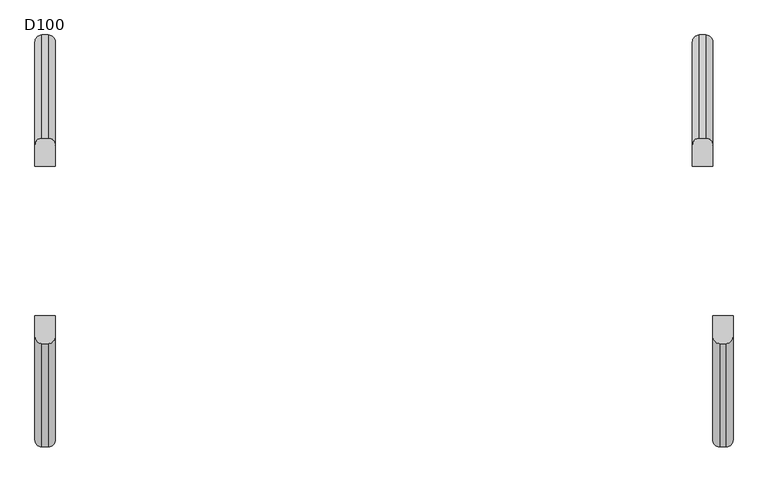
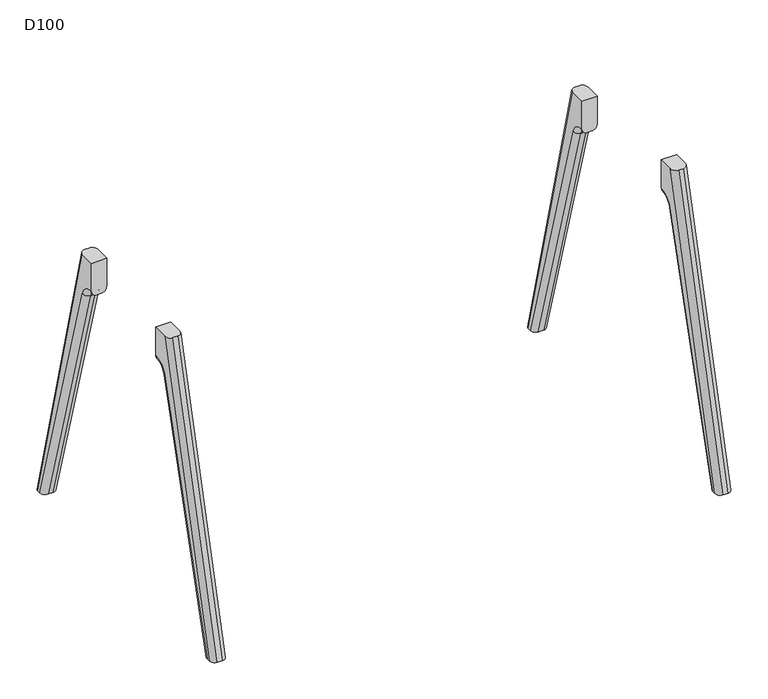
"""IFC4 building model written with IfcOpenShell, lengths in millimetres: furniture geometry, D100."""

from ifc_helpers import new_model, si_unit, point, frame, origin, place, context, project, spatial, polyline, circle_curve, ellipse_curve, trimmed, source, transform, mapped, element, save
from ifc_brep_helpers import plane_surface, cylinder_surface, revolved_surface, advanced_brep


def d100_95633b69(model_context):
    return source(origin(), model_context, "Body", "AdvancedBrep", [
        advanced_brep(
        [(0.0, -211.7278851, 880.0006338), (0.0, -439.8031746, 0.0), (15.0, -455.2987797, 0.0), (15.0, -227.2234902, 880.0006338), (45.0, -439.8031746, 0.0), (45.0, -211.7278851, 880.0006338), (30.0, -227.2234902, 880.0006338), (30.0, -455.2987797, 0.0), (45.0, -165.2234902, 880.0006338), (45.0, -429.58813, 0.0), (45.0, -211.1253977, 757.7437132), (45.0, -166.9256926, 791.0006338), (45.0, -165.2234902, 791.0006338), (0.0, -165.2234902, 880.0006338), (0.0, -165.2234902, 791.0006338), (0.0, -166.9256926, 791.0006338), (0.0, -211.1253977, 757.7437132), (0.0, -429.58813, 0.0), (30.0, -413.9771661, 0.0), (15.0, -413.9771661, 0.0), (15.0, -196.7124504, 753.5883612), (30.0, -196.7124504, 753.5883612), (30.0, -165.2234902, 776.0006338), (15.0, -165.2234902, 776.0006338), (30.0, -166.9256926, 776.0006338), (15.0, -166.9256926, 776.0006338)],
        [
            (0, 1),
            (1, 2, ellipse_curve(frame((15.0, -439.8031746, 0.0), z_axis=(0.0, 0.0, 1.0), x_axis=(0.0, 1.0, 0.0)), 15.4956051, 15.0)),
            (2, 3),
            (3, 0, ellipse_curve(frame((15.0, -211.7278851, 880.0006338), z_axis=(0.0, 0.0, -1.0), x_axis=(0.0, 1.0, 0.0)), 15.4956051, 15.0)),
            (4, 5),
            (5, 6, ellipse_curve(frame((30.0, -211.7278851, 880.0006338), z_axis=(0.0, 0.0, -1.0), x_axis=(0.0, 1.0, 0.0)), 15.4956051, 15.0)),
            (6, 7),
            (7, 4, ellipse_curve(frame((30.0, -439.8031746, 0.0), z_axis=(0.0, 0.0, 1.0), x_axis=(0.0, 1.0, 0.0)), 15.4956051, 15.0)),
            (8, 5),
            (4, 9),
            (9, 10),
            (10, 11, circle_curve(frame((45.0, -166.9256926, 745.0006338), z_axis=(-1.0, 0.0, 0.0), x_axis=(0.0, -0.9608631532166849, 0.2770234661368772)), 46.0)),
            (11, 12),
            (12, 8),
            (0, 13),
            (13, 14),
            (14, 15),
            (15, 16, circle_curve(frame((0.0, -166.9256926, 745.0006338), z_axis=(1.0, 0.0, 0.0), x_axis=(0.0, -0.9608631532166849, 0.2770234661368772)), 46.0)),
            (16, 17),
            (17, 1),
            (18, 19),
            (19, 20),
            (20, 21),
            (21, 18),
            (7, 2),
            (17, 19, ellipse_curve(frame((15.0, -429.58813, 0.0), z_axis=(0.0, 0.0, -1.0), x_axis=(0.0, 1.0, 0.0)), 15.6109639, 15.0)),
            (18, 9, ellipse_curve(frame((30.0, -429.58813, 0.0), z_axis=(0.0, 0.0, -1.0), x_axis=(0.0, 1.0, 0.0)), 15.6109639, 15.0)),
            (6, 3),
            (8, 13),
            (12, 22, circle_curve(frame((30.0, -165.2234902, 791.0006338), z_axis=(0.0, 1.0, 0.0), x_axis=(0.0, 0.0, 1.0)), 15.0)),
            (22, 23),
            (23, 14, circle_curve(frame((15.0, -165.2234902, 791.0006338), z_axis=(0.0, 1.0, 0.0), x_axis=(0.0, 0.0, 1.0)), 15.0)),
            (22, 24),
            (24, 25),
            (25, 23),
            (24, 21, circle_curve(frame((30.0, -166.9256926, 745.0006338), z_axis=(1.0, 0.0, 0.0), x_axis=(0.0, 1.0, 0.0)), 31.0)),
            (20, 25, circle_curve(frame((15.0, -166.9256926, 745.0006338), z_axis=(-1.0, 0.0, 0.0), x_axis=(0.0, 1.0, 0.0)), 31.0)),
            (16, 20, circle_curve(frame((15.0, -211.1253977, 757.7437132), z_axis=(0.0, -0.2770234661368847, -0.9608631532166827), x_axis=(0.0, -0.9608631532166827, 0.2770234661368847)), 15.0)),
            (21, 10, circle_curve(frame((30.0, -211.1253977, 757.7437132), z_axis=(0.0, -0.2770234661368847, -0.9608631532166827), x_axis=(0.0, -0.9608631532166827, 0.2770234661368847)), 15.0)),
            (25, 15, circle_curve(frame((15.0, -166.9256926, 791.0006338), z_axis=(0.0, 1.0, 0.0), x_axis=(0.0, 0.0, 1.0)), 15.0)),
            (11, 24, circle_curve(frame((30.0, -166.9256926, 791.0006338), z_axis=(0.0, 1.0, 0.0), x_axis=(0.0, 0.0, 1.0)), 15.0)),
        ],
        [
            cylinder_surface(frame((15.0, -457.7527706, -69.2563225), z_axis=(0.0, 0.25088689062883374, 0.9680164090089567), x_axis=(0.0, -0.9680164090089567, 0.25088689062883374)), 15.0),
            cylinder_surface(frame((30.0, -457.7527706, -69.2563225), z_axis=(0.0, 0.25088689062883374, 0.9680164090089567), x_axis=(0.0, -0.9680164090089567, 0.25088689062883374)), 15.0),
            plane_surface(frame((45.0, -135.9256926, 745.0006338), z_axis=(1.0, 0.0, 0.0), x_axis=(0.0, 0.0, -1.0))),
            plane_surface(frame((0.0, -135.9256926, 745.0006338), z_axis=(-1.0, 0.0, 0.0), x_axis=(0.0, 0.0, 1.0))),
            plane_surface(frame((45.0, -413.9771661, 0.0), z_axis=(0.0, 0.9608631532166828, -0.2770234661368848), x_axis=(-1.0, 0.0, 0.0))),
            plane_surface(frame((45.0, -455.2987797, 0.0), z_axis=(0.0, 0.0, -1.0), x_axis=(-1.0, 0.0, 0.0))),
            plane_surface(frame((45.0, -227.2234902, 880.0006338), z_axis=(0.0, -0.9680164090089575, 0.25088689062883046), x_axis=(-1.0, 0.0, 0.0))),
            plane_surface(frame((45.0, -165.2234902, 880.0006338), z_axis=(0.0, 0.0, 1.0), x_axis=(-1.0, 0.0, 0.0))),
            plane_surface(frame((45.0, -165.2234902, 776.0006338), z_axis=(0.0, 1.0, 0.0), x_axis=(-1.0, 0.0, 0.0))),
            plane_surface(frame((45.0, -166.9256926, 776.0006338), z_axis=(0.0, 0.0, -1.0), x_axis=(-1.0, 0.0, 0.0))),
            revolved_surface(polyline([(15.0, -135.9256926, 745.0006338), (30.0, -135.9256926, 745.0006338)]), (0.0, -166.9256926, 745.0006338), (-1.0, 0.0, 0.0)),
            cylinder_surface(frame((15.0, -448.1062889, -64.2307193), z_axis=(0.0, 0.2770234661368847, 0.9608631532166827), x_axis=(0.0, -0.9608631532166827, 0.2770234661368847)), 15.0),
            cylinder_surface(frame((30.0, -448.1062889, -64.2307193), z_axis=(0.0, 0.2770234661368847, 0.9608631532166827), x_axis=(0.0, -0.9608631532166827, 0.2770234661368847)), 15.0),
            cylinder_surface(frame((15.0, -166.9256926, 791.0006338), z_axis=(0.0, 1.0, 0.0), x_axis=(0.0, 0.0, 1.0)), 15.0),
            cylinder_surface(frame((30.0, -166.9256926, 791.0006338), z_axis=(0.0, 1.0, 0.0), x_axis=(0.0, 0.0, 1.0)), 15.0),
            revolved_surface(trimmed(ellipse_curve(frame((15.0, -211.1253977, 757.7437132), z_axis=(0.0, -0.27702346613687723, -0.9608631532166849), x_axis=(0.0, -0.9608631532166849, 0.27702346613687723)), 15.0, 15.0), [point((0.0, -211.1253977, 757.7437132))], [point((15.0, -196.7124504, 753.5883612))], True, "CARTESIAN"), (782.0, -166.9256926, 745.0006338), (-1.0, 0.0, 0.0)),
            revolved_surface(trimmed(ellipse_curve(frame((30.0, -211.1253977, 757.7437132), z_axis=(0.0, -0.27702346613687723, -0.9608631532166849), x_axis=(0.0, -0.9608631532166849, 0.27702346613687723)), 15.0, 15.0), [point((30.0, -196.7124504, 753.5883612))], [point((45.0, -211.1253977, 757.7437132))], True, "CARTESIAN"), (782.0, -166.9256926, 745.0006338), (-1.0, 0.0, 0.0)),
        ],
        [
            (0, [[1, 2, 3, 4]]),
            (1, [[5, 6, 7, 8]]),
            (2, [[9, -5, 10, 11, 12, 13, 14]]),
            (3, [[15, 16, 17, 18, 19, 20, -1]]),
            (4, [[21, 22, 23, 24]]),
            (5, [[25, -2, -20, 26, -21, 27, -10, -8]]),
            (6, [[-25, -7, 28, -3]]),
            (7, [[29, -15, -4, -28, -6, -9]]),
            (8, [[-29, -14, 30, 31, 32, -16]]),
            (9, [[-31, 33, 34, 35]]),
            (10, [[-34, 36, -23, 37]]),
            (11, [[38, -22, -26, -19]]),
            (12, [[39, -11, -27, -24]]),
            (13, [[40, -17, -32, -35]]),
            (14, [[41, -33, -30, -13]]),
            (15, [[-38, -18, -40, -37]]),
            (16, [[-39, -36, -41, -12]]),
        ],
    ),
        advanced_brep(
        [(-45.0, 165.2234902, 880.0006338), (-45.0, 211.7278851, 880.0006338), (-45.0, 439.8031746, 0.0), (-45.0, 429.58813, 0.0), (-45.0, 211.1253977, 757.7437132), (-45.0, 166.9256926, 791.0006338), (-45.0, 165.2234902, 791.0006338), (0.0, 211.7278851, 880.0006338), (0.0, 165.2234902, 880.0006338), (0.0, 165.2234902, 791.0006338), (0.0, 166.9256926, 791.0006338), (0.0, 211.1253977, 757.7437132), (0.0, 429.58813, 0.0), (0.0, 439.8031746, 0.0), (-30.0, 413.9771661, 0.0), (-15.0, 413.9771661, 0.0), (-15.0, 196.7124504, 753.5883612), (-30.0, 196.7124504, 753.5883612), (-30.0, 455.2987797, 0.0), (-15.0, 455.2987797, 0.0), (-30.0, 227.2234902, 880.0006338), (-15.0, 227.2234902, 880.0006338), (-30.0, 165.2234902, 776.0006338), (-15.0, 165.2234902, 776.0006338), (-30.0, 166.9256926, 776.0006338), (-15.0, 166.9256926, 776.0006338)],
        [
            (0, 1),
            (1, 2),
            (2, 3),
            (3, 4),
            (4, 5, circle_curve(frame((-45.0, 166.9256926, 745.0006338), z_axis=(1.0, 0.0, 0.0), x_axis=(0.0, 0.0, 1.0)), 46.0)),
            (5, 6),
            (6, 0),
            (7, 8),
            (8, 9),
            (9, 10),
            (10, 11, circle_curve(frame((0.0, 166.9256926, 745.0006338), z_axis=(-1.0, 0.0, 0.0), x_axis=(0.0, 0.0, 1.0)), 46.0)),
            (11, 12),
            (12, 13),
            (13, 7),
            (14, 15),
            (15, 16),
            (16, 17),
            (17, 14),
            (18, 19),
            (19, 13, ellipse_curve(frame((-15.0, 439.8031746, 0.0), z_axis=(0.0, 0.0, -1.0), x_axis=(0.0, -1.0, 0.0)), 15.4956051, 15.0)),
            (12, 15, ellipse_curve(frame((-15.0, 429.58813, 0.0), z_axis=(0.0, 0.0, -1.0), x_axis=(0.0, 1.0, 0.0)), 15.6109639, 15.0)),
            (14, 3, ellipse_curve(frame((-30.0, 429.58813, 0.0), z_axis=(0.0, 0.0, -1.0), x_axis=(0.0, 1.0, 0.0)), 15.6109639, 15.0)),
            (2, 18, ellipse_curve(frame((-30.0, 439.8031746, 0.0), z_axis=(0.0, 0.0, -1.0), x_axis=(0.0, -1.0, 0.0)), 15.4956051, 15.0)),
            (18, 20),
            (20, 21),
            (21, 19),
            (0, 8),
            (7, 21, ellipse_curve(frame((-15.0, 211.7278851, 880.0006338), z_axis=(0.0, 0.0, 1.0), x_axis=(0.0, -1.0, 0.0)), 15.4956051, 15.0)),
            (20, 1, ellipse_curve(frame((-30.0, 211.7278851, 880.0006338), z_axis=(0.0, 0.0, 1.0), x_axis=(0.0, -1.0, 0.0)), 15.4956051, 15.0)),
            (6, 22, circle_curve(frame((-30.0, 165.2234902, 791.0006338), z_axis=(0.0, -1.0, 0.0), x_axis=(0.0, 0.0, -1.0)), 15.0)),
            (22, 23),
            (23, 9, circle_curve(frame((-15.0, 165.2234902, 791.0006338), z_axis=(0.0, -1.0, 0.0), x_axis=(0.0, 0.0, -1.0)), 15.0)),
            (22, 24),
            (24, 25),
            (25, 23),
            (24, 17, circle_curve(frame((-30.0, 166.9256926, 745.0006338), z_axis=(-1.0, 0.0, 0.0), x_axis=(0.0, -1.0, 0.0)), 31.0)),
            (16, 25, circle_curve(frame((-15.0, 166.9256926, 745.0006338), z_axis=(1.0, 0.0, 0.0), x_axis=(0.0, -1.0, 0.0)), 31.0)),
            (25, 10, circle_curve(frame((-15.0, 166.9256926, 791.0006338), z_axis=(0.0, -1.0, 0.0), x_axis=(0.0, 0.0, -1.0)), 15.0)),
            (5, 24, circle_curve(frame((-30.0, 166.9256926, 791.0006338), z_axis=(0.0, -1.0, 0.0), x_axis=(0.0, 0.0, -1.0)), 15.0)),
            (11, 16, circle_curve(frame((-15.0, 211.1253977, 757.7437132), z_axis=(0.0, 0.277023466136888, -0.9608631532166818), x_axis=(0.0, -0.9608631532166818, -0.277023466136888)), 15.0)),
            (17, 4, circle_curve(frame((-30.0, 211.1253977, 757.7437132), z_axis=(0.0, 0.277023466136888, -0.9608631532166818), x_axis=(0.0, -0.9608631532166818, -0.277023466136888)), 15.0)),
        ],
        [
            plane_surface(frame((-45.0, 135.9256926, 745.0006338), z_axis=(-1.0, 0.0, 0.0), x_axis=(0.0, 0.0, -1.0))),
            plane_surface(frame((0.0, 135.9256926, 745.0006338), z_axis=(1.0, 0.0, 0.0), x_axis=(0.0, 0.0, 1.0))),
            plane_surface(frame((-45.0, 413.9771661, 0.0), z_axis=(0.0, -0.9608631532166828, -0.2770234661368848), x_axis=(1.0, 0.0, 0.0))),
            plane_surface(frame((-45.0, 455.2987797, 0.0), z_axis=(0.0, 0.0, -1.0), x_axis=(1.0, 0.0, 0.0))),
            plane_surface(frame((-45.0, 227.2234902, 880.0006338), z_axis=(0.0, 0.9680164090089575, 0.25088689062883046), x_axis=(1.0, 0.0, 0.0))),
            plane_surface(frame((-45.0, 165.2234902, 880.0006338), z_axis=(0.0, 0.0, 1.0), x_axis=(1.0, 0.0, 0.0))),
            plane_surface(frame((-45.0, 165.2234902, 776.0006338), z_axis=(0.0, -1.0, 0.0), x_axis=(1.0, 0.0, 0.0))),
            plane_surface(frame((-45.0, 166.9256926, 776.0006338), z_axis=(0.0, 0.0, -1.0), x_axis=(1.0, 0.0, 0.0))),
            revolved_surface(polyline([(-15.0, 135.9256926, 745.0006338), (-30.0, 135.9256926, 745.0006338)]), (0.0, 166.9256926, 745.0006338), (1.0, 0.0, 0.0)),
            cylinder_surface(frame((-15.0, 457.7527706, -69.2563225), z_axis=(0.0, -0.25088689062883374, 0.9680164090089567), x_axis=(0.0, 0.9680164090089567, 0.25088689062883374)), 15.0),
            cylinder_surface(frame((-30.0, 457.7527706, -69.2563225), z_axis=(0.0, -0.25088689062883374, 0.9680164090089567), x_axis=(0.0, 0.9680164090089567, 0.25088689062883374)), 15.0),
            cylinder_surface(frame((-15.0, -166.9256926, 791.0006338), z_axis=(0.0, 1.0, 0.0), x_axis=(0.0, 0.0, -1.0)), 15.0),
            cylinder_surface(frame((-30.0, -166.9256926, 791.0006338), z_axis=(0.0, 1.0, 0.0), x_axis=(0.0, 0.0, -1.0)), 15.0),
            cylinder_surface(frame((-15.0, 211.1253977, 757.7437132), z_axis=(0.0, 0.277023466136888, -0.9608631532166818), x_axis=(0.0, -0.9608631532166818, -0.277023466136888)), 15.0),
            cylinder_surface(frame((-30.0, 211.1253977, 757.7437132), z_axis=(0.0, 0.277023466136888, -0.9608631532166818), x_axis=(0.0, -0.9608631532166818, -0.277023466136888)), 15.0),
            revolved_surface(trimmed(ellipse_curve(frame((-15.0, 166.9256926, 791.0006338), z_axis=(0.0, -1.0, 0.0), x_axis=(0.0, 0.0, -1.0)), 15.0, 15.0), [point((-15.0, 166.9256926, 776.0006338))], [point((0.0, 166.9256926, 791.0006338))], True, "CARTESIAN"), (-782.0, 166.9256926, 745.0006338), (-1.0, 0.0, 0.0)),
            revolved_surface(trimmed(ellipse_curve(frame((-30.0, 166.9256926, 791.0006338), z_axis=(0.0, -1.0, 0.0), x_axis=(0.0, 0.0, -1.0)), 15.0, 15.0), [point((-45.0, 166.9256926, 791.0006338))], [point((-30.0, 166.9256926, 776.0006338))], True, "CARTESIAN"), (-782.0, 166.9256926, 745.0006338), (-1.0, 0.0, 0.0)),
        ],
        [
            (0, [[1, 2, 3, 4, 5, 6, 7]]),
            (1, [[8, 9, 10, 11, 12, 13, 14]]),
            (2, [[15, 16, 17, 18]]),
            (3, [[19, 20, -13, 21, -15, 22, -3, 23]]),
            (4, [[-19, 24, 25, 26]]),
            (5, [[27, -8, 28, -25, 29, -1]]),
            (6, [[-27, -7, 30, 31, 32, -9]]),
            (7, [[-31, 33, 34, 35]]),
            (8, [[-34, 36, -17, 37]]),
            (9, [[-14, -20, -26, -28]]),
            (10, [[-2, -29, -24, -23]]),
            (11, [[38, -10, -32, -35]]),
            (12, [[39, -33, -30, -6]]),
            (13, [[40, -16, -21, -12]]),
            (14, [[41, -4, -22, -18]]),
            (15, [[-38, -37, -40, -11]]),
            (16, [[-39, -5, -41, -36]]),
        ],
    ),
        advanced_brep(
        [(-1499.0, -211.1253977, 757.7437132), (-1484.0, -196.7124504, 753.5883612), (-1484.0, -413.9771661, 0.0), (-1499.0, -429.58813, 0.0), (-1469.0, -196.7124504, 753.5883612), (-1454.0, -211.1253977, 757.7437132), (-1454.0, -429.58813, 0.0), (-1469.0, -413.9771661, 0.0), (-1484.0, -166.9256926, 776.0006338), (-1499.0, -166.9256926, 791.0006338), (-1499.0, -165.2234902, 791.0006338), (-1484.0, -165.2234902, 776.0006338), (-1454.0, -166.9256926, 791.0006338), (-1469.0, -166.9256926, 776.0006338), (-1469.0, -165.2234902, 776.0006338), (-1454.0, -165.2234902, 791.0006338), (-1454.0, -165.2234902, 880.0006338), (-1454.0, -211.7278851, 880.0006338), (-1454.0, -439.8031746, 0.0), (-1499.0, -165.2234902, 880.0006338), (-1499.0, -439.8031746, 0.0), (-1499.0, -211.7278851, 880.0006338), (-1469.0, -455.2987797, 0.0), (-1484.0, -455.2987797, 0.0), (-1469.0, -227.2234902, 880.0006338), (-1484.0, -227.2234902, 880.0006338)],
        [
            (0, 1, circle_curve(frame((-1484.0, -211.1253977, 757.7437132), z_axis=(0.0, -0.2770234661368847, -0.9608631532166827), x_axis=(0.0, -0.9608631532166827, 0.2770234661368847)), 15.0)),
            (1, 2),
            (2, 3, ellipse_curve(frame((-1484.0, -429.58813, 0.0), z_axis=(0.0, 0.0, 1.0), x_axis=(0.0, 1.0, 0.0)), 15.6109639, 15.0)),
            (3, 0),
            (4, 5, circle_curve(frame((-1469.0, -211.1253977, 757.7437132), z_axis=(0.0, -0.2770234661368847, -0.9608631532166827), x_axis=(0.0, -0.9608631532166827, 0.2770234661368847)), 15.0)),
            (5, 6),
            (6, 7, ellipse_curve(frame((-1469.0, -429.58813, 0.0), z_axis=(0.0, 0.0, 1.0), x_axis=(0.0, 1.0, 0.0)), 15.6109639, 15.0)),
            (7, 4),
            (8, 9, circle_curve(frame((-1484.0, -166.9256926, 791.0006338), z_axis=(0.0, 1.0, 0.0), x_axis=(0.0, 0.0, 1.0)), 15.0)),
            (9, 10),
            (10, 11, circle_curve(frame((-1484.0, -165.2234902, 791.0006338), z_axis=(0.0, -1.0, 0.0), x_axis=(0.0, 0.0, 1.0)), 15.0)),
            (11, 8),
            (12, 13, circle_curve(frame((-1469.0, -166.9256926, 791.0006338), z_axis=(0.0, 1.0, 0.0), x_axis=(0.0, 0.0, 1.0)), 15.0)),
            (13, 14),
            (14, 15, circle_curve(frame((-1469.0, -165.2234902, 791.0006338), z_axis=(0.0, -1.0, 0.0), x_axis=(0.0, 0.0, 1.0)), 15.0)),
            (15, 12),
            (0, 9, circle_curve(frame((-1499.0, -166.9256926, 745.0006338), z_axis=(-1.0, 0.0, 0.0), x_axis=(0.0, -0.9608631532166849, 0.2770234661368772)), 46.0)),
            (8, 1, circle_curve(frame((-1484.0, -166.9256926, 745.0006338), z_axis=(1.0, 0.0, 0.0), x_axis=(0.0, -0.9608631532166849, 0.2770234661368772)), 31.0)),
            (4, 13, circle_curve(frame((-1469.0, -166.9256926, 745.0006338), z_axis=(-1.0, 0.0, 0.0), x_axis=(0.0, -0.9608631532166849, 0.2770234661368772)), 31.0)),
            (12, 5, circle_curve(frame((-1454.0, -166.9256926, 745.0006338), z_axis=(1.0, 0.0, 0.0), x_axis=(0.0, -0.9608631532166849, 0.2770234661368772)), 46.0)),
            (15, 16),
            (16, 17),
            (17, 18),
            (18, 6),
            (19, 10),
            (3, 20),
            (20, 21),
            (21, 19),
            (7, 2),
            (1, 4),
            (18, 22, ellipse_curve(frame((-1469.0, -439.8031746, 0.0), z_axis=(0.0, 0.0, -1.0), x_axis=(0.0, 1.0, 0.0)), 15.4956051, 15.0)),
            (22, 23),
            (23, 20, ellipse_curve(frame((-1484.0, -439.8031746, 0.0), z_axis=(0.0, 0.0, -1.0), x_axis=(0.0, 1.0, 0.0)), 15.4956051, 15.0)),
            (22, 24),
            (24, 25),
            (25, 23),
            (16, 19),
            (21, 25, ellipse_curve(frame((-1484.0, -211.7278851, 880.0006338), z_axis=(0.0, 0.0, 1.0), x_axis=(0.0, 1.0, 0.0)), 15.4956051, 15.0)),
            (24, 17, ellipse_curve(frame((-1469.0, -211.7278851, 880.0006338), z_axis=(0.0, 0.0, 1.0), x_axis=(0.0, 1.0, 0.0)), 15.4956051, 15.0)),
            (14, 11),
            (13, 8),
        ],
        [
            cylinder_surface(frame((-1484.0, -448.1062889, -64.2307193), z_axis=(0.0, 0.2770234661368847, 0.9608631532166827), x_axis=(0.0, -0.9608631532166827, 0.2770234661368847)), 15.0),
            cylinder_surface(frame((-1469.0, -448.1062889, -64.2307193), z_axis=(0.0, 0.2770234661368847, 0.9608631532166827), x_axis=(0.0, -0.9608631532166827, 0.2770234661368847)), 15.0),
            cylinder_surface(frame((-1484.0, -166.9256926, 791.0006338), z_axis=(0.0, 1.0, 0.0), x_axis=(0.0, 0.0, 1.0)), 15.0),
            cylinder_surface(frame((-1469.0, -166.9256926, 791.0006338), z_axis=(0.0, 1.0, 0.0), x_axis=(0.0, 0.0, 1.0)), 15.0),
            revolved_surface(trimmed(ellipse_curve(frame((-1484.0, -211.1253977, 757.7437132), z_axis=(0.0, -0.27702346613687723, -0.9608631532166849), x_axis=(0.0, -0.9608631532166849, 0.27702346613687723)), 15.0, 15.0), [point((-1499.0, -211.1253977, 757.7437132))], [point((-1484.0, -196.7124504, 753.5883612))], True, "CARTESIAN"), (-717.0, -166.9256926, 745.0006338), (-1.0, 0.0, 0.0)),
            revolved_surface(trimmed(ellipse_curve(frame((-1469.0, -211.1253977, 757.7437132), z_axis=(0.0, -0.27702346613687723, -0.9608631532166849), x_axis=(0.0, -0.9608631532166849, 0.27702346613687723)), 15.0, 15.0), [point((-1469.0, -196.7124504, 753.5883612))], [point((-1454.0, -211.1253977, 757.7437132))], True, "CARTESIAN"), (-717.0, -166.9256926, 745.0006338), (-1.0, 0.0, 0.0)),
            plane_surface(frame((-1454.0, -135.9256926, 745.0006338), z_axis=(1.0, 0.0, 0.0), x_axis=(0.0, 0.0, -1.0))),
            plane_surface(frame((-1499.0, -135.9256926, 745.0006338), z_axis=(-1.0, 0.0, 0.0), x_axis=(0.0, 0.0, 1.0))),
            plane_surface(frame((-1454.0, -413.9771661, 0.0), z_axis=(0.0, 0.9608631532166828, -0.2770234661368848), x_axis=(-1.0, 0.0, 0.0))),
            plane_surface(frame((-1454.0, -455.2987797, 0.0), z_axis=(0.0, 0.0, -1.0), x_axis=(-1.0, 0.0, 0.0))),
            plane_surface(frame((-1454.0, -227.2234902, 880.0006338), z_axis=(0.0, -0.9680164090089575, 0.25088689062883046), x_axis=(-1.0, 0.0, 0.0))),
            plane_surface(frame((-1454.0, -165.2234902, 880.0006338), z_axis=(0.0, 0.0, 1.0), x_axis=(-1.0, 0.0, 0.0))),
            plane_surface(frame((-1454.0, -165.2234902, 776.0006338), z_axis=(0.0, 1.0, 0.0), x_axis=(-1.0, 0.0, 0.0))),
            plane_surface(frame((-1454.0, -166.9256926, 776.0006338), z_axis=(0.0, 0.0, -1.0), x_axis=(-1.0, 0.0, 0.0))),
            revolved_surface(polyline([(-1484.0, -135.9256926, 745.0006338), (-1469.0, -135.9256926, 745.0006338)]), (-1499.0, -166.9256926, 745.0006338), (-1.0, 0.0, 0.0)),
            cylinder_surface(frame((-1484.0, -457.7527706, -69.2563225), z_axis=(0.0, 0.25088689062883374, 0.9680164090089567), x_axis=(0.0, -0.9680164090089567, 0.25088689062883374)), 15.0),
            cylinder_surface(frame((-1469.0, -457.7527706, -69.2563225), z_axis=(0.0, 0.25088689062883374, 0.9680164090089567), x_axis=(0.0, -0.9680164090089567, 0.25088689062883374)), 15.0),
        ],
        [
            (0, [[1, 2, 3, 4]]),
            (1, [[5, 6, 7, 8]]),
            (2, [[9, 10, 11, 12]]),
            (3, [[13, 14, 15, 16]]),
            (4, [[-1, 17, -9, 18]]),
            (5, [[-5, 19, -13, 20]]),
            (6, [[21, 22, 23, 24, -6, -20, -16]]),
            (7, [[25, -10, -17, -4, 26, 27, 28]]),
            (8, [[29, -2, 30, -8]]),
            (9, [[-29, -7, -24, 31, 32, 33, -26, -3]]),
            (10, [[-32, 34, 35, 36]]),
            (11, [[37, -28, 38, -35, 39, -22]]),
            (12, [[-37, -21, -15, 40, -11, -25]]),
            (13, [[-40, -14, 41, -12]]),
            (14, [[-41, -19, -30, -18]]),
            (15, [[-27, -33, -36, -38]]),
            (16, [[-23, -39, -34, -31]]),
        ],
    ),
        advanced_brep(
        [(-1499.0, 166.9256926, 791.0006338), (-1484.0, 166.9256926, 776.0006338), (-1484.0, 165.2234902, 776.0006338), (-1499.0, 165.2234902, 791.0006338), (-1469.0, 166.9256926, 776.0006338), (-1454.0, 166.9256926, 791.0006338), (-1454.0, 165.2234902, 791.0006338), (-1469.0, 165.2234902, 776.0006338), (-1484.0, 196.7124504, 753.5883612), (-1499.0, 211.1253977, 757.7437132), (-1499.0, 429.58813, 0.0), (-1484.0, 413.9771661, 0.0), (-1454.0, 211.1253977, 757.7437132), (-1469.0, 196.7124504, 753.5883612), (-1469.0, 413.9771661, 0.0), (-1454.0, 429.58813, 0.0), (-1454.0, 165.2234902, 880.0006338), (-1454.0, 439.8031746, 0.0), (-1454.0, 211.7278851, 880.0006338), (-1499.0, 165.2234902, 880.0006338), (-1499.0, 211.7278851, 880.0006338), (-1499.0, 439.8031746, 0.0), (-1484.0, 455.2987797, 0.0), (-1469.0, 455.2987797, 0.0), (-1484.0, 227.2234902, 880.0006338), (-1469.0, 227.2234902, 880.0006338)],
        [
            (0, 1, circle_curve(frame((-1484.0, 166.9256926, 791.0006338), z_axis=(0.0, -1.0, 0.0), x_axis=(0.0, 0.0, 1.0)), 15.0)),
            (1, 2),
            (2, 3, circle_curve(frame((-1484.0, 165.2234902, 791.0006338), z_axis=(0.0, 1.0, 0.0), x_axis=(0.0, 0.0, 1.0)), 15.0)),
            (3, 0),
            (4, 5, circle_curve(frame((-1469.0, 166.9256926, 791.0006338), z_axis=(0.0, -1.0, 0.0), x_axis=(0.0, 0.0, 1.0)), 15.0)),
            (5, 6),
            (6, 7, circle_curve(frame((-1469.0, 165.2234902, 791.0006338), z_axis=(0.0, 1.0, 0.0), x_axis=(0.0, 0.0, 1.0)), 15.0)),
            (7, 4),
            (8, 9, circle_curve(frame((-1484.0, 211.1253977, 757.7437132), z_axis=(0.0, 0.277023466136888, -0.9608631532166818), x_axis=(0.0, 0.9608631532166818, 0.277023466136888)), 15.0)),
            (9, 10),
            (10, 11, ellipse_curve(frame((-1484.0, 429.58813, 0.0), z_axis=(0.0, 0.0, 1.0), x_axis=(0.0, 1.0, 0.0)), 15.6109639, 15.0)),
            (11, 8),
            (12, 13, circle_curve(frame((-1469.0, 211.1253977, 757.7437132), z_axis=(0.0, 0.277023466136888, -0.9608631532166818), x_axis=(0.0, 0.9608631532166818, 0.277023466136888)), 15.0)),
            (13, 14),
            (14, 15, ellipse_curve(frame((-1469.0, 429.58813, 0.0), z_axis=(0.0, 0.0, 1.0), x_axis=(0.0, 1.0, 0.0)), 15.6109639, 15.0)),
            (15, 12),
            (0, 9, circle_curve(frame((-1499.0, 166.9256926, 745.0006338), z_axis=(-1.0, 0.0, 0.0), x_axis=(0.0, 0.0, 1.0)), 46.0)),
            (8, 1, circle_curve(frame((-1484.0, 166.9256926, 745.0006338), z_axis=(1.0, 0.0, 0.0), x_axis=(0.0, 0.0, 1.0)), 31.0)),
            (4, 13, circle_curve(frame((-1469.0, 166.9256926, 745.0006338), z_axis=(-1.0, 0.0, 0.0), x_axis=(0.0, 0.0, 1.0)), 31.0)),
            (12, 5, circle_curve(frame((-1454.0, 166.9256926, 745.0006338), z_axis=(1.0, 0.0, 0.0), x_axis=(0.0, 0.0, 1.0)), 46.0)),
            (16, 6),
            (15, 17),
            (17, 18),
            (18, 16),
            (3, 19),
            (19, 20),
            (20, 21),
            (21, 10),
            (13, 8),
            (11, 14),
            (21, 22, ellipse_curve(frame((-1484.0, 439.8031746, 0.0), z_axis=(0.0, 0.0, -1.0), x_axis=(0.0, -1.0, 0.0)), 15.4956051, 15.0)),
            (22, 23),
            (23, 17, ellipse_curve(frame((-1469.0, 439.8031746, 0.0), z_axis=(0.0, 0.0, -1.0), x_axis=(0.0, -1.0, 0.0)), 15.4956051, 15.0)),
            (22, 24),
            (24, 25),
            (25, 23),
            (19, 16),
            (18, 25, ellipse_curve(frame((-1469.0, 211.7278851, 880.0006338), z_axis=(0.0, 0.0, 1.0), x_axis=(0.0, -1.0, 0.0)), 15.4956051, 15.0)),
            (24, 20, ellipse_curve(frame((-1484.0, 211.7278851, 880.0006338), z_axis=(0.0, 0.0, 1.0), x_axis=(0.0, -1.0, 0.0)), 15.4956051, 15.0)),
            (2, 7),
            (1, 4),
        ],
        [
            cylinder_surface(frame((-1484.0, -166.9256926, 791.0006338), z_axis=(0.0, 1.0, 0.0), x_axis=(0.0, 0.0, 1.0)), 15.0),
            cylinder_surface(frame((-1469.0, -166.9256926, 791.0006338), z_axis=(0.0, 1.0, 0.0), x_axis=(0.0, 0.0, 1.0)), 15.0),
            cylinder_surface(frame((-1484.0, 211.1253977, 757.7437132), z_axis=(0.0, 0.277023466136888, -0.9608631532166818), x_axis=(0.0, 0.9608631532166818, 0.277023466136888)), 15.0),
            cylinder_surface(frame((-1469.0, 211.1253977, 757.7437132), z_axis=(0.0, 0.277023466136888, -0.9608631532166818), x_axis=(0.0, 0.9608631532166818, 0.277023466136888)), 15.0),
            revolved_surface(trimmed(ellipse_curve(frame((-1484.0, 166.9256926, 791.0006338), z_axis=(0.0, -1.0, 0.0), x_axis=(0.0, 0.0, 1.0)), 15.0, 15.0), [point((-1499.0, 166.9256926, 791.0006338))], [point((-1484.0, 166.9256926, 776.0006338))], True, "CARTESIAN"), (-717.0, 166.9256926, 745.0006338), (-1.0, 0.0, 0.0)),
            revolved_surface(trimmed(ellipse_curve(frame((-1469.0, 166.9256926, 791.0006338), z_axis=(0.0, -1.0, 0.0), x_axis=(0.0, 0.0, 1.0)), 15.0, 15.0), [point((-1469.0, 166.9256926, 776.0006338))], [point((-1454.0, 166.9256926, 791.0006338))], True, "CARTESIAN"), (-717.0, 166.9256926, 745.0006338), (-1.0, 0.0, 0.0)),
            plane_surface(frame((-1454.0, 413.4231192, 1.9217263), z_axis=(1.0000000000000002, 0.0, 0.0), x_axis=(0.0, 0.2770234661368848, -0.9608631532166828))),
            plane_surface(frame((-1499.0, 413.4231192, 1.9217263), z_axis=(-1.0000000000000002, 0.0, 0.0), x_axis=(0.0, -0.2770234661368848, 0.9608631532166828))),
            plane_surface(frame((-1454.0, 196.7124504, 753.5883612), z_axis=(0.0, -0.9608631532166828, -0.2770234661368848), x_axis=(-1.0, 0.0, 0.0))),
            plane_surface(frame((-1454.0, 413.9771661, 0.0), z_axis=(0.0, 0.0, -1.0), x_axis=(-1.0, 0.0, 0.0))),
            plane_surface(frame((-1454.0, 455.2987797, 0.0), z_axis=(0.0, 0.9680164090089575, 0.25088689062883046), x_axis=(-1.0, 0.0, 0.0))),
            plane_surface(frame((-1454.0, 227.2234902, 880.0006338), z_axis=(0.0, 0.0, 1.0), x_axis=(-1.0, 0.0, 0.0))),
            plane_surface(frame((-1454.0, 165.2234902, 880.0006338), z_axis=(0.0, -1.0, 0.0), x_axis=(-1.0, 0.0, 0.0))),
            plane_surface(frame((-1454.0, 165.2234902, 776.0006338), z_axis=(0.0, 0.0, -1.0), x_axis=(-1.0, 0.0, 0.0))),
            revolved_surface(polyline([(-1484.0, 135.9256926, 745.0006338), (-1469.0, 135.9256926, 745.0006338)]), (-1499.0, 166.9256926, 745.0006338), (-1.0, 0.0, 0.0)),
            cylinder_surface(frame((-1484.0, 457.7527706, -69.2563225), z_axis=(0.0, -0.25088689062883374, 0.9680164090089567), x_axis=(0.0, -0.9680164090089567, -0.25088689062883374)), 15.0),
            cylinder_surface(frame((-1469.0, 457.7527706, -69.2563225), z_axis=(0.0, -0.25088689062883374, 0.9680164090089567), x_axis=(0.0, -0.9680164090089567, -0.25088689062883374)), 15.0),
        ],
        [
            (0, [[1, 2, 3, 4]]),
            (1, [[5, 6, 7, 8]]),
            (2, [[9, 10, 11, 12]]),
            (3, [[13, 14, 15, 16]]),
            (4, [[-1, 17, -9, 18]]),
            (5, [[-5, 19, -13, 20]]),
            (6, [[21, -6, -20, -16, 22, 23, 24]]),
            (7, [[25, 26, 27, 28, -10, -17, -4]]),
            (8, [[29, -12, 30, -14]]),
            (9, [[-30, -11, -28, 31, 32, 33, -22, -15]]),
            (10, [[-32, 34, 35, 36]]),
            (11, [[37, -24, 38, -35, 39, -26]]),
            (12, [[-37, -25, -3, 40, -7, -21]]),
            (13, [[-40, -2, 41, -8]]),
            (14, [[-29, -19, -41, -18]]),
            (15, [[-27, -39, -34, -31]]),
            (16, [[-23, -33, -36, -38]]),
        ],
    ),
    ])


if __name__ == "__main__":
    model = new_model("IFC4")
    model_context = context("Model", 3, world=origin())
    ifc_project = project(units=[si_unit("LENGTHUNIT", "METRE", prefix="MILLI")], contexts=[model_context])
    site = spatial("IfcSite", under=ifc_project)
    building = spatial("IfcBuilding", under=site)
    placement = place(None, origin())
    d100_shape = d100_95633b69(model_context)
    element("IfcFurniture", 1, ObjectType="D100", at=placement, inside=building, context=model_context, shape_type="MappedRepresentation", body=[
        mapped(d100_shape, transform((0.0, 0.0, 0.0), x_axis=(1.0, 0.0, 0.0), y_axis=(0.0, 1.0, 0.0), z_axis=(0.0, 0.0, 1.0))),
    ])
    save(model, "model.ifc")
